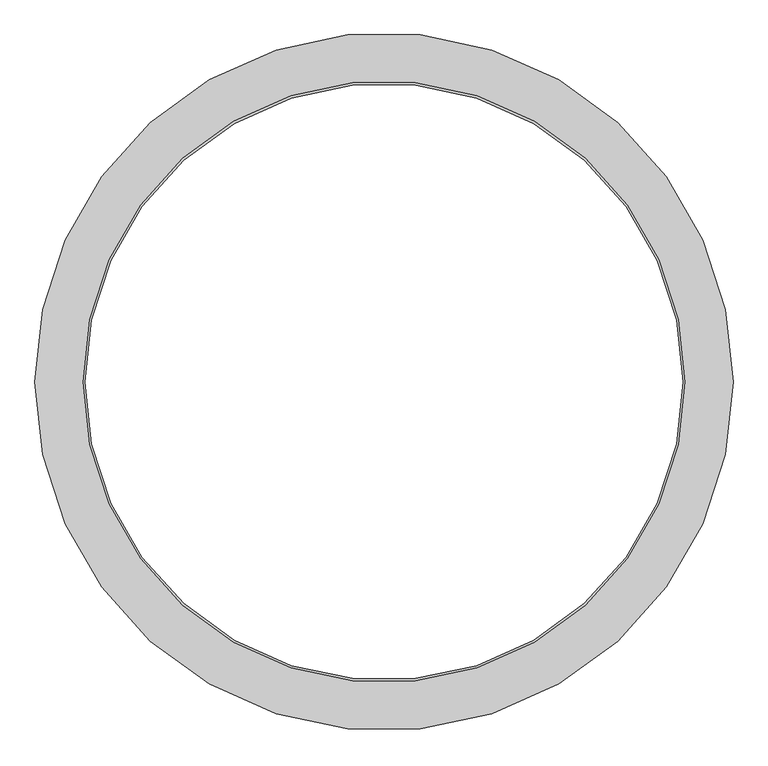
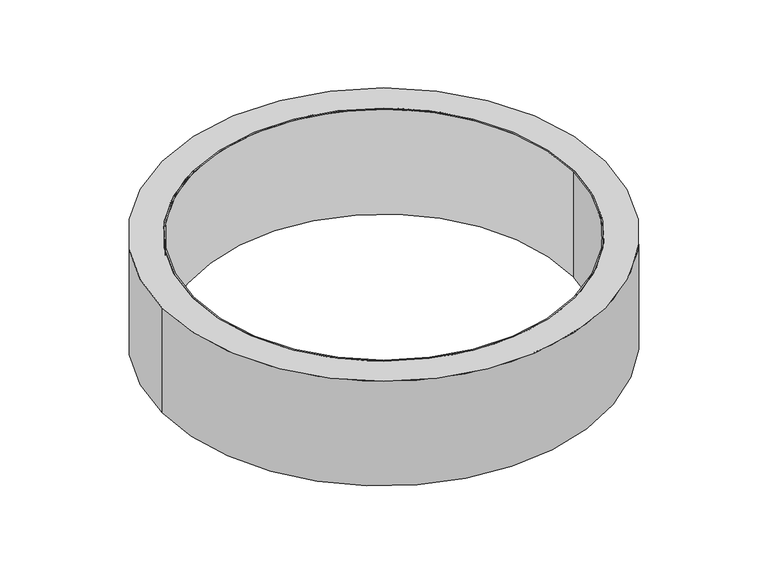
"""IFC4 building model written with IfcOpenShell, lengths in millimetres: proxy geometry."""

from ifc_helpers import new_model, si_unit, point, origin, origin_with_axes, origin_2d, place, context, project, spatial, circle_curve, trimmed, segment, composite_curve, outline, extrude, source, transform, mapped, element, save


def generic_models_01756634(model_context):
    return source(origin(), model_context, "Body", "SweptSolid", [
        extrude(outline(composite_curve([segment(trimmed(circle_curve(origin_2d(), 500.0), [point((-500.0, 0.0))], [point((500.0, 0.0))], False, "CARTESIAN"), True, "CONTINUOUS"), segment(trimmed(circle_curve(origin_2d(), 500.0), [point((500.0, 0.0))], [point((-500.0, 0.0))], False, "CARTESIAN"), True, "CONTINUOUS")], self_intersect=False), holes=[composite_curve([segment(trimmed(circle_curve(origin_2d(), 496.0), [point((-496.0, 0.0))], [point((496.0, 0.0))], True, "CARTESIAN"), True, "CONTINUOUS"), segment(trimmed(circle_curve(origin_2d(), 496.0), [point((496.0, 0.0))], [point((-496.0, 0.0))], True, "CARTESIAN"), True, "CONTINUOUS")], self_intersect=False)]), origin_with_axes(), (0.0, 0.0, 1.0), 290.0),
        extrude(outline(composite_curve([segment(trimmed(circle_curve(origin_2d(), 580.0), [point((-580.0, 0.0))], [point((580.0, 0.0))], False, "CARTESIAN"), True, "CONTINUOUS"), segment(trimmed(circle_curve(origin_2d(), 580.0), [point((580.0, 0.0))], [point((-580.0, 0.0))], False, "CARTESIAN"), True, "CONTINUOUS")], self_intersect=False), holes=[composite_curve([segment(trimmed(circle_curve(origin_2d(), 500.0), [point((-500.0, 0.0))], [point((500.0, 0.0))], True, "CARTESIAN"), True, "CONTINUOUS"), segment(trimmed(circle_curve(origin_2d(), 500.0), [point((500.0, 0.0))], [point((-500.0, 0.0))], True, "CARTESIAN"), True, "CONTINUOUS")], self_intersect=False)]), origin_with_axes(), (0.0, 0.0, 1.0), 290.0),
    ])


if __name__ == "__main__":
    model = new_model("IFC4")
    model_context = context("Model", 3, world=origin())
    ifc_project = project(units=[si_unit("LENGTHUNIT", "METRE", prefix="MILLI")], contexts=[model_context])
    site = spatial("IfcSite", under=ifc_project)
    building = spatial("IfcBuilding", under=site)
    placement = place(None, origin())
    generic_models_shape = generic_models_01756634(model_context)
    element("IfcBuildingElementProxy", 1, Name="Generic Models", at=placement, inside=building, context=model_context, shape_type="MappedRepresentation", body=[
        mapped(generic_models_shape, transform((0.0, 0.0, 0.0), x_axis=(1.0, 0.0, 0.0), y_axis=(0.0, 1.0, 0.0), z_axis=(0.0, 0.0, 1.0))),
    ])
    save(model, "model.ifc")
